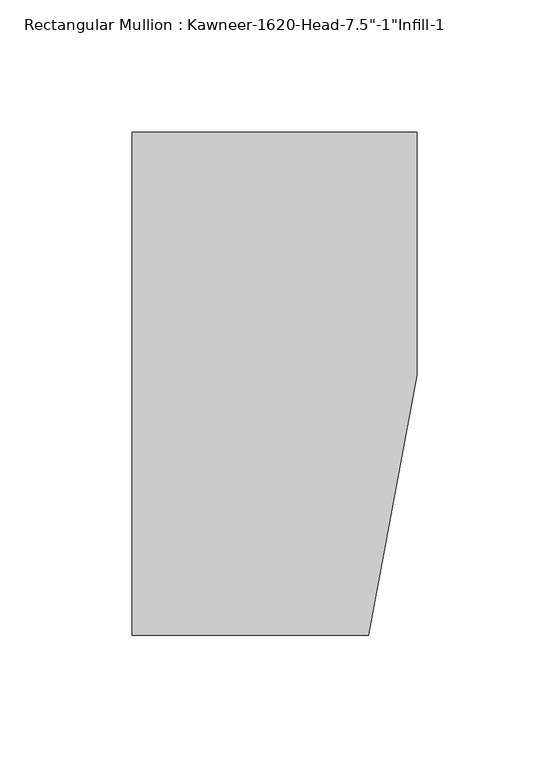
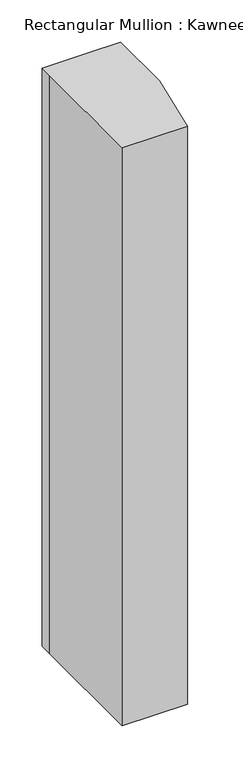
"""IFC4 building model written with IfcOpenShell, lengths in millimetres: member geometry."""

import ifcopenshell
import ifcopenshell.guid

model = None  # the IFC model being written
_history = None  # IfcOwnerHistory: only IFC2X3 demands one
_inside = {}  # id of a spatial element -> (the spatial element, [elements in it])
_under = {}  # id of a project, library or spatial element -> (it, [spatial elements below it])
_declared = {}  # id of a project -> (the project, [libraries it declares])
_typed = {}  # id of a type object -> (the type object, [elements of that type])
_made_of = {}  # id of a material, layer set ... -> (it, [elements and type objects made of it])


def new_model(schema):
    """Start an empty IFC model of exactly this schema.

    Asked for "IFC4X3", IfcOpenShell would pick the latest addendum, in which some entities
    have other attributes; the version numbers below select the first issue.
    IFC2X3 requires an IfcOwnerHistory on every rooted entity: one is made here for all.
    """
    global model, _history
    if schema == "IFC4X3":
        model = ifcopenshell.file(schema_version=(4, 3, 0, 0))
    else:
        model = ifcopenshell.file(schema=schema)
    _inside.clear()
    _under.clear()
    _declared.clear()
    _typed.clear()
    _made_of.clear()
    _history = None
    if model.schema == "IFC2X3":
        org = make("IfcOrganization", Name="unknown")
        user = make(
            "IfcPersonAndOrganization",
            ThePerson=make("IfcPerson", FamilyName="unknown"),
            TheOrganization=org,
        )
        app = make(
            "IfcApplication",
            ApplicationDeveloper=org,
            Version="unknown",
            ApplicationFullName="unknown",
            ApplicationIdentifier="unknown",
        )
        _history = make(
            "IfcOwnerHistory",
            OwningUser=user,
            OwningApplication=app,
            ChangeAction="ADDED",
            CreationDate=0,
        )
    return model


def make(cls, **values):
    """One entity of the class cls with the attributes given. An attribute that is None is left unset."""
    return model.create_entity(
        cls, **{name: value for name, value in values.items() if value is not None}
    )


def rooted(cls, **values):
    """An entity with a GlobalId (a new one), such as an element, a storey or a relation."""
    return make(cls, GlobalId=ifcopenshell.guid.new(), OwnerHistory=_history, **values)


def si_unit(unit_type, name, prefix=None):
    """IfcSIUnit, for example si_unit("LENGTHUNIT", "METRE", prefix="MILLI")."""
    return make("IfcSIUnit", UnitType=unit_type, Prefix=prefix, Name=name)


def assignment(units):
    """IfcUnitAssignment: the units of a project."""
    return None if units is None else make("IfcUnitAssignment", Units=units)


def point(xyz):
    """IfcCartesianPoint."""
    return None if xyz is None else make("IfcCartesianPoint", Coordinates=xyz)


def direction(xyz):
    """IfcDirection."""
    return None if xyz is None else make("IfcDirection", DirectionRatios=xyz)


def frame(location, z_axis=None, x_axis=None):
    """IfcAxis2Placement3D, a coordinate frame: its origin and axes. An axis left out is left unset."""
    return make(
        "IfcAxis2Placement3D",
        Location=point(location),
        Axis=direction(z_axis),
        RefDirection=direction(x_axis),
    )


def origin():
    """The frame at (0, 0, 0) with its axes left unset."""
    return frame((0.0, 0.0, 0.0))


def place(relative_to, where):
    """IfcLocalPlacement: puts the frame where relative to a parent placement (None: the world)."""
    return make(
        "IfcLocalPlacement", PlacementRelTo=relative_to, RelativePlacement=where
    )


def context(
    kind, dimensions, precision=None, world=None, true_north=None, identifier=None
):
    """IfcGeometricRepresentationContext, for example the 3D "Model" context."""
    return make(
        "IfcGeometricRepresentationContext",
        ContextIdentifier=identifier,
        ContextType=kind,
        CoordinateSpaceDimension=dimensions,
        Precision=precision,
        WorldCoordinateSystem=world,
        TrueNorth=true_north,
    )


def project(units=None, contexts=None):
    """IfcProject with its units and contexts."""
    return rooted(
        "IfcProject",
        Name="project",
        RepresentationContexts=contexts,
        UnitsInContext=assignment(units),
    )


def spatial(cls, under=None, at=None, **own):
    """A site, building, storey or space (cls), placed at a placement, below another one or the project."""
    s = rooted(cls, ObjectPlacement=at, **own)
    if under is not None:
        _under.setdefault(under.id(), (under, []))[1].append(s)
    return s


def polyline(points):
    """IfcPolyline through the points."""
    return make("IfcPolyline", Points=[point(p) for p in points])


def outline(outer, holes=None, kind="AREA"):
    """IfcArbitraryClosedProfileDef: a profile drawn as a closed curve; with holes, ...WithVoids."""
    if holes is None:
        return make("IfcArbitraryClosedProfileDef", ProfileType=kind, OuterCurve=outer)
    return make(
        "IfcArbitraryProfileDefWithVoids",
        ProfileType=kind,
        OuterCurve=outer,
        InnerCurves=holes,
    )


def extrude(swept, where, along, depth):
    """IfcExtrudedAreaSolid: the profile swept, set in the frame where, extruded along a direction by depth."""
    return make(
        "IfcExtrudedAreaSolid",
        SweptArea=swept,
        Position=where,
        ExtrudedDirection=direction(along),
        Depth=depth,
    )


def shape(context_of_items, identifier, shape_type, items):
    """IfcShapeRepresentation: the items that make up one representation, for example the "Body"."""
    return make(
        "IfcShapeRepresentation",
        ContextOfItems=context_of_items,
        RepresentationIdentifier=identifier,
        RepresentationType=shape_type,
        Items=items,
    )


def source(mapping_origin, context_of_items, identifier, shape_type, items):
    """IfcRepresentationMap: a shape defined once, which mapped items show again and again."""
    return make(
        "IfcRepresentationMap",
        MappingOrigin=mapping_origin,
        MappedRepresentation=shape(context_of_items, identifier, shape_type, items),
    )


def transform(
    local_origin,
    x_axis=None,
    y_axis=None,
    z_axis=None,
    scale=None,
    scale2=None,
    scale3=None,
    uniform=True,
):
    """IfcCartesianTransformationOperator3D, or its non-uniform kind. x_axis, y_axis, z_axis: its Axis1, 2, 3."""
    if uniform:
        return make(
            "IfcCartesianTransformationOperator3D",
            Axis1=direction(x_axis),
            Axis2=direction(y_axis),
            LocalOrigin=point(local_origin),
            Scale=scale,
            Axis3=direction(z_axis),
        )
    return make(
        "IfcCartesianTransformationOperator3DnonUniform",
        Axis1=direction(x_axis),
        Axis2=direction(y_axis),
        LocalOrigin=point(local_origin),
        Scale=scale,
        Axis3=direction(z_axis),
        Scale2=scale2,
        Scale3=scale3,
    )


def mapped(mapping_source, mapping_target):
    """IfcMappedItem: shows the shape of a source again, moved by a transform."""
    return make(
        "IfcMappedItem", MappingSource=mapping_source, MappingTarget=mapping_target
    )


def made_of(thing, what):
    """Note that an element or type object is made of a material, layer set ...; save() writes the relation."""
    if what is not None:
        _made_of.setdefault(what.id(), (what, []))[1].append(thing)
    return thing


def element(
    cls,
    number,
    at=None,
    inside=None,
    cuts=None,
    type_object=None,
    material=None,
    context=None,
    identifier="Body",
    shape_type=None,
    held_by="IfcProductDefinitionShape",
    body=None,
    shapes=None,
    **own,
):
    """One element of the class cls, such as IfcWall. Its Tag is "e" and its number.

    at: its placement. inside: the storey or other place that contains it. cuts: it is an
    opening in that element (IfcRelVoidsElement). A single representation is given by context,
    identifier, shape_type and body (its items); several are given by shapes. held_by: the class
    of the entity that holds the representations. save() writes the other relations.
    """
    e = rooted(cls, Tag="e%d" % number, ObjectPlacement=at, **own)
    if body is not None:
        shapes = [shape(context, identifier, shape_type, body)]
    if shapes is not None:
        e.Representation = make(held_by, Representations=shapes)
    if inside is not None:
        _inside.setdefault(inside.id(), (inside, []))[1].append(e)
    if cuts is not None:
        rooted(
            "IfcRelVoidsElement", RelatingBuildingElement=cuts, RelatedOpeningElement=e
        )
    if type_object is not None:
        _typed.setdefault(type_object.id(), (type_object, []))[1].append(e)
    return made_of(e, material)


def aggregate(whole, parts):
    """IfcRelAggregates: a whole, such as a stair, and the parts it consists of."""
    return rooted("IfcRelAggregates", RelatingObject=whole, RelatedObjects=parts)


def save(model, path):
    """Write the relations noted so far, then the file.

    IfcRelAggregates (storeys below a building ...), IfcRelContainedInSpatialStructure (elements
    in a storey), IfcRelDefinesByType, IfcRelAssociatesMaterial and IfcRelDeclares: one each for
    every whole, place, type object, material and project.
    """
    for whole, parts in _under.values():
        aggregate(whole, parts)
    for where, things in _inside.values():
        rooted(
            "IfcRelContainedInSpatialStructure",
            RelatedElements=things,
            RelatingStructure=where,
        )
    for kind, things in _typed.values():
        rooted("IfcRelDefinesByType", RelatedObjects=things, RelatingType=kind)
    for what, things in _made_of.values():
        rooted("IfcRelAssociatesMaterial", RelatedObjects=things, RelatingMaterial=what)
    for by, libraries in _declared.values():
        rooted("IfcRelDeclares", RelatingContext=by, RelatedDefinitions=libraries)
    model.write(path)


def member_208da8f3(model_context):
    return source(origin(), model_context, "Body", "SweptSolid", [
        extrude(outline(polyline([(-107.95, 19.9095466), (-107.95, 38.1), (-44.1519366, 38.1), (0.0, 38.1), (0.0, -53.975), (-18.3538271, -152.4), (-107.95, -152.4), (-107.95, 19.9095466)])), frame((0.0, 0.0, -838.2), z_axis=(0.0, 0.0, 1.0), x_axis=(1.0, 0.0, 0.0)), (0.0, 0.0, 1.0), 838.2),
    ])


if __name__ == "__main__":
    model = new_model("IFC4")
    model_context = context("Model", 3, world=origin())
    ifc_project = project(units=[si_unit("LENGTHUNIT", "METRE", prefix="MILLI")], contexts=[model_context])
    site = spatial("IfcSite", under=ifc_project)
    building = spatial("IfcBuilding", under=site)
    placement = place(None, origin())
    member_shape = member_208da8f3(model_context)
    element("IfcMember", 1, ObjectType="Rectangular Mullion : Kawneer-1620-Head-7.5\"-1\"Infill-1", at=placement, inside=building, context=model_context, shape_type="MappedRepresentation", body=[
        mapped(member_shape, transform((0.0, 0.0, 0.0), x_axis=(1.0, 0.0, 0.0), y_axis=(0.0, 1.0, 0.0), z_axis=(0.0, 0.0, 1.0))),
    ])
    save(model, "model.ifc")
